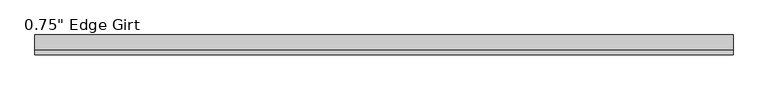
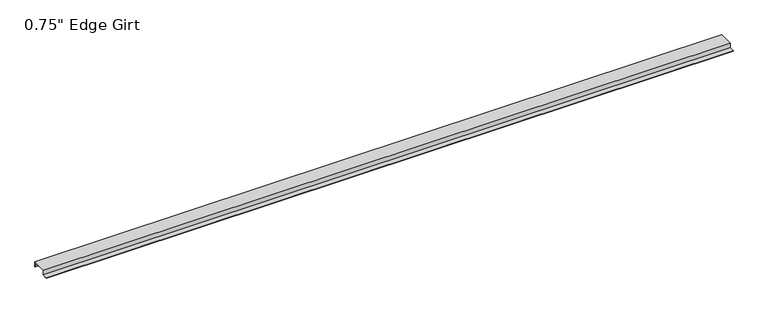
"""IFC4 building model written with IfcOpenShell, lengths in millimetres: proxy geometry."""

import ifcopenshell
import ifcopenshell.guid

model = None  # the IFC model being written
_history = None  # IfcOwnerHistory: only IFC2X3 demands one
_inside = {}  # id of a spatial element -> (the spatial element, [elements in it])
_under = {}  # id of a project, library or spatial element -> (it, [spatial elements below it])
_declared = {}  # id of a project -> (the project, [libraries it declares])
_typed = {}  # id of a type object -> (the type object, [elements of that type])
_made_of = {}  # id of a material, layer set ... -> (it, [elements and type objects made of it])


def new_model(schema):
    """Start an empty IFC model of exactly this schema.

    Asked for "IFC4X3", IfcOpenShell would pick the latest addendum, in which some entities
    have other attributes; the version numbers below select the first issue.
    IFC2X3 requires an IfcOwnerHistory on every rooted entity: one is made here for all.
    """
    global model, _history
    if schema == "IFC4X3":
        model = ifcopenshell.file(schema_version=(4, 3, 0, 0))
    else:
        model = ifcopenshell.file(schema=schema)
    _inside.clear()
    _under.clear()
    _declared.clear()
    _typed.clear()
    _made_of.clear()
    _history = None
    if model.schema == "IFC2X3":
        org = make("IfcOrganization", Name="unknown")
        user = make(
            "IfcPersonAndOrganization",
            ThePerson=make("IfcPerson", FamilyName="unknown"),
            TheOrganization=org,
        )
        app = make(
            "IfcApplication",
            ApplicationDeveloper=org,
            Version="unknown",
            ApplicationFullName="unknown",
            ApplicationIdentifier="unknown",
        )
        _history = make(
            "IfcOwnerHistory",
            OwningUser=user,
            OwningApplication=app,
            ChangeAction="ADDED",
            CreationDate=0,
        )
    return model


def make(cls, **values):
    """One entity of the class cls with the attributes given. An attribute that is None is left unset."""
    return model.create_entity(
        cls, **{name: value for name, value in values.items() if value is not None}
    )


def rooted(cls, **values):
    """An entity with a GlobalId (a new one), such as an element, a storey or a relation."""
    return make(cls, GlobalId=ifcopenshell.guid.new(), OwnerHistory=_history, **values)


def si_unit(unit_type, name, prefix=None):
    """IfcSIUnit, for example si_unit("LENGTHUNIT", "METRE", prefix="MILLI")."""
    return make("IfcSIUnit", UnitType=unit_type, Prefix=prefix, Name=name)


def assignment(units):
    """IfcUnitAssignment: the units of a project."""
    return None if units is None else make("IfcUnitAssignment", Units=units)


def point(xyz):
    """IfcCartesianPoint."""
    return None if xyz is None else make("IfcCartesianPoint", Coordinates=xyz)


def direction(xyz):
    """IfcDirection."""
    return None if xyz is None else make("IfcDirection", DirectionRatios=xyz)


def frame(location, z_axis=None, x_axis=None):
    """IfcAxis2Placement3D, a coordinate frame: its origin and axes. An axis left out is left unset."""
    return make(
        "IfcAxis2Placement3D",
        Location=point(location),
        Axis=direction(z_axis),
        RefDirection=direction(x_axis),
    )


def origin():
    """The frame at (0, 0, 0) with its axes left unset."""
    return frame((0.0, 0.0, 0.0))


def place(relative_to, where):
    """IfcLocalPlacement: puts the frame where relative to a parent placement (None: the world)."""
    return make(
        "IfcLocalPlacement", PlacementRelTo=relative_to, RelativePlacement=where
    )


def context(
    kind, dimensions, precision=None, world=None, true_north=None, identifier=None
):
    """IfcGeometricRepresentationContext, for example the 3D "Model" context."""
    return make(
        "IfcGeometricRepresentationContext",
        ContextIdentifier=identifier,
        ContextType=kind,
        CoordinateSpaceDimension=dimensions,
        Precision=precision,
        WorldCoordinateSystem=world,
        TrueNorth=true_north,
    )


def project(units=None, contexts=None):
    """IfcProject with its units and contexts."""
    return rooted(
        "IfcProject",
        Name="project",
        RepresentationContexts=contexts,
        UnitsInContext=assignment(units),
    )


def spatial(cls, under=None, at=None, **own):
    """A site, building, storey or space (cls), placed at a placement, below another one or the project."""
    s = rooted(cls, ObjectPlacement=at, **own)
    if under is not None:
        _under.setdefault(under.id(), (under, []))[1].append(s)
    return s


def polyline(points):
    """IfcPolyline through the points."""
    return make("IfcPolyline", Points=[point(p) for p in points])


def outline(outer, holes=None, kind="AREA"):
    """IfcArbitraryClosedProfileDef: a profile drawn as a closed curve; with holes, ...WithVoids."""
    if holes is None:
        return make("IfcArbitraryClosedProfileDef", ProfileType=kind, OuterCurve=outer)
    return make(
        "IfcArbitraryProfileDefWithVoids",
        ProfileType=kind,
        OuterCurve=outer,
        InnerCurves=holes,
    )


def extrude(swept, where, along, depth):
    """IfcExtrudedAreaSolid: the profile swept, set in the frame where, extruded along a direction by depth."""
    return make(
        "IfcExtrudedAreaSolid",
        SweptArea=swept,
        Position=where,
        ExtrudedDirection=direction(along),
        Depth=depth,
    )


def shape(context_of_items, identifier, shape_type, items):
    """IfcShapeRepresentation: the items that make up one representation, for example the "Body"."""
    return make(
        "IfcShapeRepresentation",
        ContextOfItems=context_of_items,
        RepresentationIdentifier=identifier,
        RepresentationType=shape_type,
        Items=items,
    )


def source(mapping_origin, context_of_items, identifier, shape_type, items):
    """IfcRepresentationMap: a shape defined once, which mapped items show again and again."""
    return make(
        "IfcRepresentationMap",
        MappingOrigin=mapping_origin,
        MappedRepresentation=shape(context_of_items, identifier, shape_type, items),
    )


def transform(
    local_origin,
    x_axis=None,
    y_axis=None,
    z_axis=None,
    scale=None,
    scale2=None,
    scale3=None,
    uniform=True,
):
    """IfcCartesianTransformationOperator3D, or its non-uniform kind. x_axis, y_axis, z_axis: its Axis1, 2, 3."""
    if uniform:
        return make(
            "IfcCartesianTransformationOperator3D",
            Axis1=direction(x_axis),
            Axis2=direction(y_axis),
            LocalOrigin=point(local_origin),
            Scale=scale,
            Axis3=direction(z_axis),
        )
    return make(
        "IfcCartesianTransformationOperator3DnonUniform",
        Axis1=direction(x_axis),
        Axis2=direction(y_axis),
        LocalOrigin=point(local_origin),
        Scale=scale,
        Axis3=direction(z_axis),
        Scale2=scale2,
        Scale3=scale3,
    )


def mapped(mapping_source, mapping_target):
    """IfcMappedItem: shows the shape of a source again, moved by a transform."""
    return make(
        "IfcMappedItem", MappingSource=mapping_source, MappingTarget=mapping_target
    )


def made_of(thing, what):
    """Note that an element or type object is made of a material, layer set ...; save() writes the relation."""
    if what is not None:
        _made_of.setdefault(what.id(), (what, []))[1].append(thing)
    return thing


def element(
    cls,
    number,
    at=None,
    inside=None,
    cuts=None,
    type_object=None,
    material=None,
    context=None,
    identifier="Body",
    shape_type=None,
    held_by="IfcProductDefinitionShape",
    body=None,
    shapes=None,
    **own,
):
    """One element of the class cls, such as IfcWall. Its Tag is "e" and its number.

    at: its placement. inside: the storey or other place that contains it. cuts: it is an
    opening in that element (IfcRelVoidsElement). A single representation is given by context,
    identifier, shape_type and body (its items); several are given by shapes. held_by: the class
    of the entity that holds the representations. save() writes the other relations.
    """
    e = rooted(cls, Tag="e%d" % number, ObjectPlacement=at, **own)
    if body is not None:
        shapes = [shape(context, identifier, shape_type, body)]
    if shapes is not None:
        e.Representation = make(held_by, Representations=shapes)
    if inside is not None:
        _inside.setdefault(inside.id(), (inside, []))[1].append(e)
    if cuts is not None:
        rooted(
            "IfcRelVoidsElement", RelatingBuildingElement=cuts, RelatedOpeningElement=e
        )
    if type_object is not None:
        _typed.setdefault(type_object.id(), (type_object, []))[1].append(e)
    return made_of(e, material)


def aggregate(whole, parts):
    """IfcRelAggregates: a whole, such as a stair, and the parts it consists of."""
    return rooted("IfcRelAggregates", RelatingObject=whole, RelatedObjects=parts)


def save(model, path):
    """Write the relations noted so far, then the file.

    IfcRelAggregates (storeys below a building ...), IfcRelContainedInSpatialStructure (elements
    in a storey), IfcRelDefinesByType, IfcRelAssociatesMaterial and IfcRelDeclares: one each for
    every whole, place, type object, material and project.
    """
    for whole, parts in _under.values():
        aggregate(whole, parts)
    for where, things in _inside.values():
        rooted(
            "IfcRelContainedInSpatialStructure",
            RelatedElements=things,
            RelatingStructure=where,
        )
    for kind, things in _typed.values():
        rooted("IfcRelDefinesByType", RelatedObjects=things, RelatingType=kind)
    for what, things in _made_of.values():
        rooted("IfcRelAssociatesMaterial", RelatedObjects=things, RelatingMaterial=what)
    for by, libraries in _declared.values():
        rooted("IfcRelDeclares", RelatingContext=by, RelatedDefinitions=libraries)
    model.write(path)


def proxy_144b6848(model_context):
    return source(origin(), model_context, "Body", "SweptSolid", [
        extrude(outline(polyline([(-46.0559645, -17.4375), (-46.0559645, -15.8242), (-27.0129, -15.8242), (-27.0129, 1.6129), (27.0129, 1.6129), (27.0129, -17.4375), (25.4, -17.4375), (25.4, 0.0), (-25.4, 0.0), (-25.4, -17.4375), (-46.0559645, -17.4375)])), frame((0.0, 0.0, 0.0), z_axis=(1.0, 0.0, 0.0), x_axis=(0.0, 1.0, 0.0)), (0.0, 0.0, 1.0), 2541.9606408),
    ])


if __name__ == "__main__":
    model = new_model("IFC4")
    model_context = context("Model", 3, world=origin())
    ifc_project = project(units=[si_unit("LENGTHUNIT", "METRE", prefix="MILLI")], contexts=[model_context])
    site = spatial("IfcSite", under=ifc_project)
    building = spatial("IfcBuilding", under=site)
    placement = place(None, origin())
    proxy_shape = proxy_144b6848(model_context)
    element("IfcBuildingElementProxy", 1, Name="0.75\" Edge Girt", ObjectType="0.75\" Edge Girt", at=placement, inside=building, context=model_context, shape_type="MappedRepresentation", body=[
        mapped(proxy_shape, transform((0.0, 0.0, 0.0), x_axis=(1.0, 0.0, 0.0), y_axis=(0.0, 1.0, 0.0), z_axis=(0.0, 0.0, 1.0))),
    ])
    save(model, "model.ifc")
